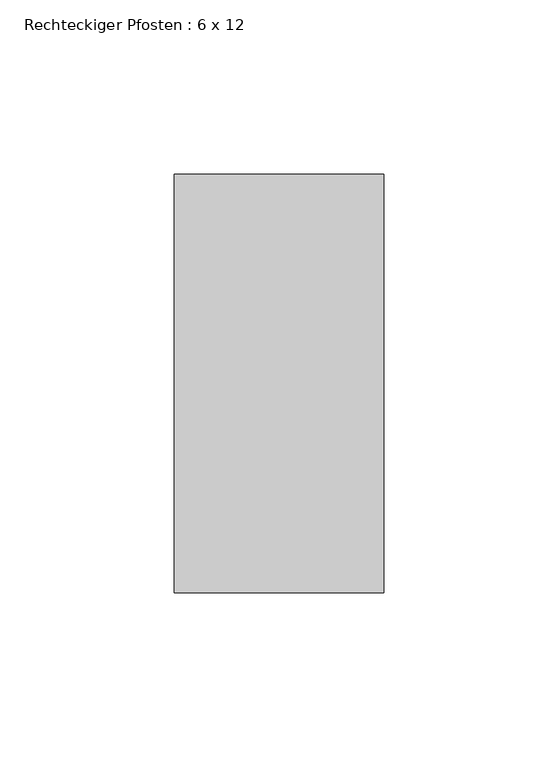
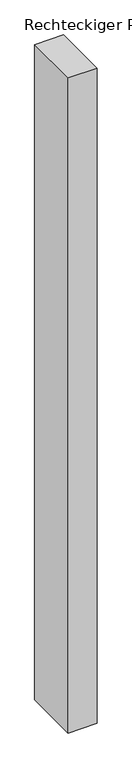
"""IFC4 building model written with IfcOpenShell, lengths in millimetres: member geometry, Rechteckiger Pfosten : 6 x 12."""

from ifc_helpers import new_model, si_unit, frame, origin, place, context, project, spatial, polyline, outline, extrude, source, transform, mapped, element, save


def rechteckiger_pfosten_6_x_12_e983a574(model_context):
    return source(origin(), model_context, "Body", "SweptSolid", [
        extrude(outline(polyline([(0.0, 60.0), (0.0, -60.0), (-60.0, -60.0), (-60.0, 60.0), (0.0, 60.0)])), frame((0.0, 0.0, -1435.0294528), z_axis=(0.0, 0.0, 1.0), x_axis=(1.0, 0.0, 0.0)), (0.0, 0.0, 1.0), 1435.0294528),
    ])


if __name__ == "__main__":
    model = new_model("IFC4")
    model_context = context("Model", 3, world=origin())
    ifc_project = project(units=[si_unit("LENGTHUNIT", "METRE", prefix="MILLI")], contexts=[model_context])
    site = spatial("IfcSite", under=ifc_project)
    building = spatial("IfcBuilding", under=site)
    placement = place(None, origin())
    rechteckiger_pfosten_6_x_12_shape = rechteckiger_pfosten_6_x_12_e983a574(model_context)
    element("IfcMember", 1, ObjectType="Rechteckiger Pfosten : 6 x 12", at=placement, inside=building, context=model_context, shape_type="MappedRepresentation", body=[
        mapped(rechteckiger_pfosten_6_x_12_shape, transform((0.0, 0.0, 0.0), x_axis=(1.0, 0.0, 0.0), y_axis=(0.0, 1.0, 0.0), z_axis=(0.0, 0.0, 1.0))),
    ])
    save(model, "model.ifc")
